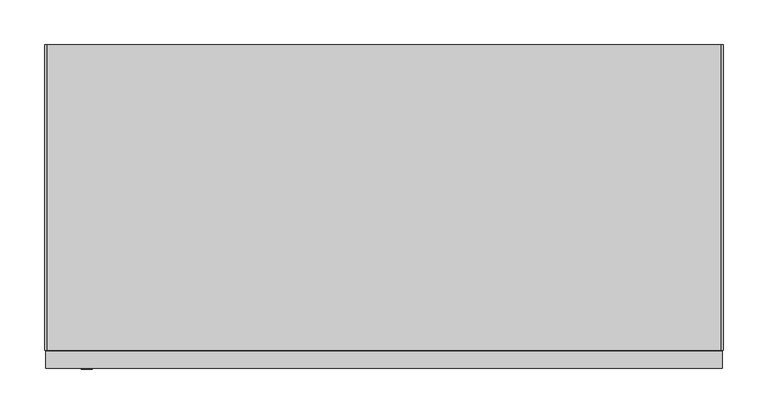
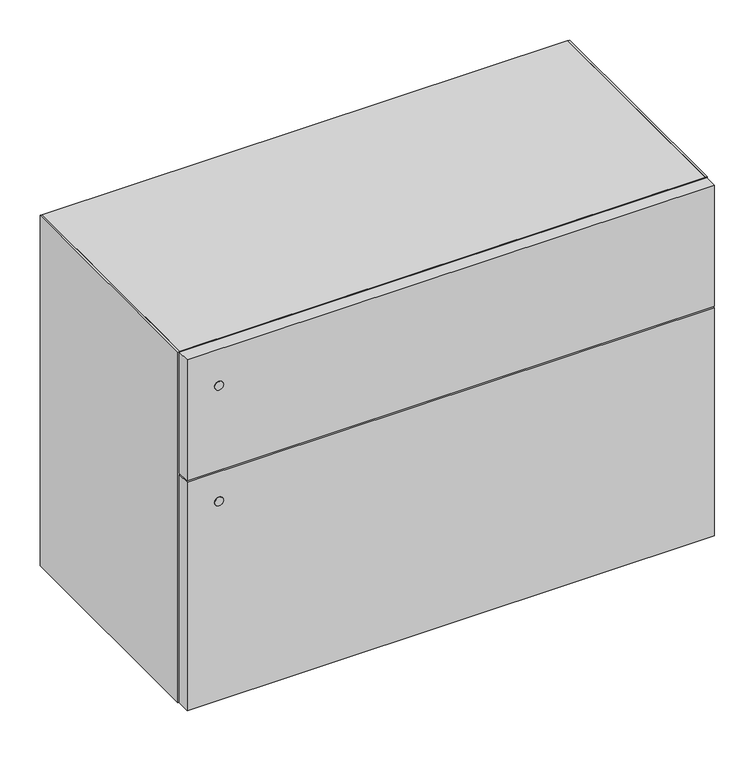
"""IFC4 building model written with IfcOpenShell, lengths in millimetres: furniture geometry."""

import ifcopenshell
import ifcopenshell.guid

model = None  # the IFC model being written
_history = None  # IfcOwnerHistory: only IFC2X3 demands one
_inside = {}  # id of a spatial element -> (the spatial element, [elements in it])
_under = {}  # id of a project, library or spatial element -> (it, [spatial elements below it])
_declared = {}  # id of a project -> (the project, [libraries it declares])
_typed = {}  # id of a type object -> (the type object, [elements of that type])
_made_of = {}  # id of a material, layer set ... -> (it, [elements and type objects made of it])


def new_model(schema):
    """Start an empty IFC model of exactly this schema.

    Asked for "IFC4X3", IfcOpenShell would pick the latest addendum, in which some entities
    have other attributes; the version numbers below select the first issue.
    IFC2X3 requires an IfcOwnerHistory on every rooted entity: one is made here for all.
    """
    global model, _history
    if schema == "IFC4X3":
        model = ifcopenshell.file(schema_version=(4, 3, 0, 0))
    else:
        model = ifcopenshell.file(schema=schema)
    _inside.clear()
    _under.clear()
    _declared.clear()
    _typed.clear()
    _made_of.clear()
    _history = None
    if model.schema == "IFC2X3":
        org = make("IfcOrganization", Name="unknown")
        user = make(
            "IfcPersonAndOrganization",
            ThePerson=make("IfcPerson", FamilyName="unknown"),
            TheOrganization=org,
        )
        app = make(
            "IfcApplication",
            ApplicationDeveloper=org,
            Version="unknown",
            ApplicationFullName="unknown",
            ApplicationIdentifier="unknown",
        )
        _history = make(
            "IfcOwnerHistory",
            OwningUser=user,
            OwningApplication=app,
            ChangeAction="ADDED",
            CreationDate=0,
        )
    return model


def make(cls, **values):
    """One entity of the class cls with the attributes given. An attribute that is None is left unset."""
    return model.create_entity(
        cls, **{name: value for name, value in values.items() if value is not None}
    )


def rooted(cls, **values):
    """An entity with a GlobalId (a new one), such as an element, a storey or a relation."""
    return make(cls, GlobalId=ifcopenshell.guid.new(), OwnerHistory=_history, **values)


def si_unit(unit_type, name, prefix=None):
    """IfcSIUnit, for example si_unit("LENGTHUNIT", "METRE", prefix="MILLI")."""
    return make("IfcSIUnit", UnitType=unit_type, Prefix=prefix, Name=name)


def assignment(units):
    """IfcUnitAssignment: the units of a project."""
    return None if units is None else make("IfcUnitAssignment", Units=units)


def point(xyz):
    """IfcCartesianPoint."""
    return None if xyz is None else make("IfcCartesianPoint", Coordinates=xyz)


def direction(xyz):
    """IfcDirection."""
    return None if xyz is None else make("IfcDirection", DirectionRatios=xyz)


def frame(location, z_axis=None, x_axis=None):
    """IfcAxis2Placement3D, a coordinate frame: its origin and axes. An axis left out is left unset."""
    return make(
        "IfcAxis2Placement3D",
        Location=point(location),
        Axis=direction(z_axis),
        RefDirection=direction(x_axis),
    )


def frame_2d(location, x_axis=None):
    """IfcAxis2Placement2D, a coordinate frame in the plane: its origin and x axis."""
    return make(
        "IfcAxis2Placement2D", Location=point(location), RefDirection=direction(x_axis)
    )


def origin():
    """The frame at (0, 0, 0) with its axes left unset."""
    return frame((0.0, 0.0, 0.0))


def place(relative_to, where):
    """IfcLocalPlacement: puts the frame where relative to a parent placement (None: the world)."""
    return make(
        "IfcLocalPlacement", PlacementRelTo=relative_to, RelativePlacement=where
    )


def context(
    kind, dimensions, precision=None, world=None, true_north=None, identifier=None
):
    """IfcGeometricRepresentationContext, for example the 3D "Model" context."""
    return make(
        "IfcGeometricRepresentationContext",
        ContextIdentifier=identifier,
        ContextType=kind,
        CoordinateSpaceDimension=dimensions,
        Precision=precision,
        WorldCoordinateSystem=world,
        TrueNorth=true_north,
    )


def project(units=None, contexts=None):
    """IfcProject with its units and contexts."""
    return rooted(
        "IfcProject",
        Name="project",
        RepresentationContexts=contexts,
        UnitsInContext=assignment(units),
    )


def spatial(cls, under=None, at=None, **own):
    """A site, building, storey or space (cls), placed at a placement, below another one or the project."""
    s = rooted(cls, ObjectPlacement=at, **own)
    if under is not None:
        _under.setdefault(under.id(), (under, []))[1].append(s)
    return s


def polyline(points):
    """IfcPolyline through the points."""
    return make("IfcPolyline", Points=[point(p) for p in points])


def circle_curve(where, radius):
    """IfcCircle in the frame where."""
    return make("IfcCircle", Position=where, Radius=radius)


def trimmed(basis, trim1, trim2, sense, master):
    """IfcTrimmedCurve: the piece of a basis curve between two trims."""
    return make(
        "IfcTrimmedCurve",
        BasisCurve=basis,
        Trim1=trim1,
        Trim2=trim2,
        SenseAgreement=sense,
        MasterRepresentation=master,
    )


def segment(curve, same_sense, transition):
    """IfcCompositeCurveSegment."""
    return make(
        "IfcCompositeCurveSegment",
        Transition=transition,
        SameSense=same_sense,
        ParentCurve=curve,
    )


def composite_curve(segments, self_intersect=None):
    """IfcCompositeCurve: segments joined end to end."""
    return make("IfcCompositeCurve", Segments=segments, SelfIntersect=self_intersect)


def outline(outer, holes=None, kind="AREA"):
    """IfcArbitraryClosedProfileDef: a profile drawn as a closed curve; with holes, ...WithVoids."""
    if holes is None:
        return make("IfcArbitraryClosedProfileDef", ProfileType=kind, OuterCurve=outer)
    return make(
        "IfcArbitraryProfileDefWithVoids",
        ProfileType=kind,
        OuterCurve=outer,
        InnerCurves=holes,
    )


def extrude(swept, where, along, depth):
    """IfcExtrudedAreaSolid: the profile swept, set in the frame where, extruded along a direction by depth."""
    return make(
        "IfcExtrudedAreaSolid",
        SweptArea=swept,
        Position=where,
        ExtrudedDirection=direction(along),
        Depth=depth,
    )


def shape(context_of_items, identifier, shape_type, items):
    """IfcShapeRepresentation: the items that make up one representation, for example the "Body"."""
    return make(
        "IfcShapeRepresentation",
        ContextOfItems=context_of_items,
        RepresentationIdentifier=identifier,
        RepresentationType=shape_type,
        Items=items,
    )


def source(mapping_origin, context_of_items, identifier, shape_type, items):
    """IfcRepresentationMap: a shape defined once, which mapped items show again and again."""
    return make(
        "IfcRepresentationMap",
        MappingOrigin=mapping_origin,
        MappedRepresentation=shape(context_of_items, identifier, shape_type, items),
    )


def transform(
    local_origin,
    x_axis=None,
    y_axis=None,
    z_axis=None,
    scale=None,
    scale2=None,
    scale3=None,
    uniform=True,
):
    """IfcCartesianTransformationOperator3D, or its non-uniform kind. x_axis, y_axis, z_axis: its Axis1, 2, 3."""
    if uniform:
        return make(
            "IfcCartesianTransformationOperator3D",
            Axis1=direction(x_axis),
            Axis2=direction(y_axis),
            LocalOrigin=point(local_origin),
            Scale=scale,
            Axis3=direction(z_axis),
        )
    return make(
        "IfcCartesianTransformationOperator3DnonUniform",
        Axis1=direction(x_axis),
        Axis2=direction(y_axis),
        LocalOrigin=point(local_origin),
        Scale=scale,
        Axis3=direction(z_axis),
        Scale2=scale2,
        Scale3=scale3,
    )


def mapped(mapping_source, mapping_target):
    """IfcMappedItem: shows the shape of a source again, moved by a transform."""
    return make(
        "IfcMappedItem", MappingSource=mapping_source, MappingTarget=mapping_target
    )


def made_of(thing, what):
    """Note that an element or type object is made of a material, layer set ...; save() writes the relation."""
    if what is not None:
        _made_of.setdefault(what.id(), (what, []))[1].append(thing)
    return thing


def element(
    cls,
    number,
    at=None,
    inside=None,
    cuts=None,
    type_object=None,
    material=None,
    context=None,
    identifier="Body",
    shape_type=None,
    held_by="IfcProductDefinitionShape",
    body=None,
    shapes=None,
    **own,
):
    """One element of the class cls, such as IfcWall. Its Tag is "e" and its number.

    at: its placement. inside: the storey or other place that contains it. cuts: it is an
    opening in that element (IfcRelVoidsElement). A single representation is given by context,
    identifier, shape_type and body (its items); several are given by shapes. held_by: the class
    of the entity that holds the representations. save() writes the other relations.
    """
    e = rooted(cls, Tag="e%d" % number, ObjectPlacement=at, **own)
    if body is not None:
        shapes = [shape(context, identifier, shape_type, body)]
    if shapes is not None:
        e.Representation = make(held_by, Representations=shapes)
    if inside is not None:
        _inside.setdefault(inside.id(), (inside, []))[1].append(e)
    if cuts is not None:
        rooted(
            "IfcRelVoidsElement", RelatingBuildingElement=cuts, RelatedOpeningElement=e
        )
    if type_object is not None:
        _typed.setdefault(type_object.id(), (type_object, []))[1].append(e)
    return made_of(e, material)


def aggregate(whole, parts):
    """IfcRelAggregates: a whole, such as a stair, and the parts it consists of."""
    return rooted("IfcRelAggregates", RelatingObject=whole, RelatedObjects=parts)


def save(model, path):
    """Write the relations noted so far, then the file.

    IfcRelAggregates (storeys below a building ...), IfcRelContainedInSpatialStructure (elements
    in a storey), IfcRelDefinesByType, IfcRelAssociatesMaterial and IfcRelDeclares: one each for
    every whole, place, type object, material and project.
    """
    for whole, parts in _under.values():
        aggregate(whole, parts)
    for where, things in _inside.values():
        rooted(
            "IfcRelContainedInSpatialStructure",
            RelatedElements=things,
            RelatingStructure=where,
        )
    for kind, things in _typed.values():
        rooted("IfcRelDefinesByType", RelatedObjects=things, RelatingType=kind)
    for what, things in _made_of.values():
        rooted("IfcRelAssociatesMaterial", RelatedObjects=things, RelatingMaterial=what)
    for by, libraries in _declared.values():
        rooted("IfcRelDeclares", RelatingContext=by, RelatedDefinitions=libraries)
    model.write(path)


def plane_surface(at):
    """IfcPlane: the flat surface through the origin of the frame at, square to its z axis."""
    return make("IfcPlane", Position=at)


def cylinder_surface(at, radius):
    """IfcCylindricalSurface: all points at the distance radius from the z axis of the frame at."""
    return make("IfcCylindricalSurface", Position=at, Radius=radius)


def advanced_brep(points, edges, surfaces, faces):
    """IfcAdvancedBrep: a solid bounded by faces that lie on surfaces and meet in shared edges.

    An edge is (start, end): straight between two places in points (the first is 0);
    or (start, end, curve); or (start, end, curve, False) where it runs against its curve.
    A face is (place in surfaces, loops), or (place, loops, False) where it looks against
    its surface's normal. A loop lists edges by number (the first is 1), with a minus sign
    where the edge is run from its end to its start. The first loop is the outer one.
    """
    corners = [point(p) for p in points]
    vertices = [make("IfcVertexPoint", VertexGeometry=c) for c in corners]
    made = []
    for start, end, *more in edges:
        made.append(
            make(
                "IfcEdgeCurve",
                EdgeStart=vertices[start],
                EdgeEnd=vertices[end],
                EdgeGeometry=more[0] if more else make("IfcPolyline", Points=[corners[start], corners[end]]),
                SameSense=more[1] if len(more) > 1 else True,
            )
        )
    hull = []
    for where, loops, *sense in faces:
        bounds = []
        for j, loop in enumerate(loops):
            ring = [make("IfcOrientedEdge", EdgeElement=made[abs(k) - 1], Orientation=k > 0) for k in loop]
            bounds.append(
                make(
                    "IfcFaceOuterBound" if j == 0 else "IfcFaceBound",
                    Bound=make("IfcEdgeLoop", EdgeList=ring),
                    Orientation=True,
                )
            )
        hull.append(make("IfcAdvancedFace", Bounds=bounds, FaceSurface=surfaces[where], SameSense=sense[0] if sense else True))
    return make("IfcAdvancedBrep", Outer=make("IfcClosedShell", CfsFaces=hull))


def furniture_9538a273(model_context):
    return source(origin(), model_context, "Body", "SolidModel", [
        advanced_brep(
        [(66.9289998, -50.8000015, 9.525), (41.5290013, -50.8000015, 9.525), (50.2602498, -50.8000015, 9.525), (58.1977513, -50.8000015, 9.525), (66.9289998, -50.8000015, 0.0), (41.5290013, -50.8000015, 0.0), (58.1977513, -50.8000015, 25.4000008), (50.2602498, -50.8000015, 25.4000008)],
        [
            (0, 1, circle_curve(frame((54.2290005, -50.8000015, 9.525), z_axis=(0.0, 0.0, 1.0), x_axis=(-1.0, 0.0, 0.0)), 12.6999992)),
            (1, 0, circle_curve(frame((54.2290005, -50.8000015, 9.525), z_axis=(0.0, 0.0, 1.0), x_axis=(-1.0, 0.0, 0.0)), 12.6999992)),
            (2, 3, circle_curve(frame((54.2290005, -50.8000015, 9.525), z_axis=(0.0, 0.0, -1.0), x_axis=(-1.0, 0.0, 0.0)), 3.9687508)),
            (3, 2, circle_curve(frame((54.2290005, -50.8000015, 9.525), z_axis=(0.0, 0.0, -1.0), x_axis=(-1.0, 0.0, 0.0)), 3.9687508)),
            (4, 5, circle_curve(frame((54.2290005, -50.8000015, 0.0), z_axis=(0.0, 0.0, -1.0), x_axis=(-1.0, 0.0, 0.0)), 12.6999992)),
            (5, 4, circle_curve(frame((54.2290005, -50.8000015, 0.0), z_axis=(0.0, 0.0, -1.0), x_axis=(-1.0, 0.0, 0.0)), 12.6999992)),
            (0, 4),
            (5, 1),
            (6, 7, circle_curve(frame((54.2290005, -50.8000015, 25.4000008), z_axis=(0.0, 0.0, 1.0), x_axis=(-1.0, 0.0, 0.0)), 3.9687508)),
            (7, 6, circle_curve(frame((54.2290005, -50.8000015, 25.4000008), z_axis=(0.0, 0.0, 1.0), x_axis=(-1.0, 0.0, 0.0)), 3.9687508)),
            (6, 3),
            (2, 7),
        ],
        [
            plane_surface(frame((41.5290013, -50.8000015, 9.525), z_axis=(0.0, 0.0, 1.0), x_axis=(0.0, -1.0, 0.0))),
            plane_surface(frame((41.5290013, -50.8000015, 0.0), z_axis=(0.0, 0.0, -1.0), x_axis=(0.0, 1.0, 0.0))),
            cylinder_surface(frame((54.2290005, -50.8000015, 0.0), z_axis=(0.0, 0.0, 1.0), x_axis=(-1.0, 0.0, 0.0)), 12.6999992),
            plane_surface(frame((50.2602498, -50.8000015, 25.4000008), z_axis=(0.0, 0.0, 1.0), x_axis=(0.0, -1.0, 0.0))),
            cylinder_surface(frame((54.2290005, -50.8000015, 9.525), z_axis=(0.0, 0.0, 1.0), x_axis=(-1.0, 0.0, 0.0)), 3.9687508),
        ],
        [
            (0, [[1, 2], [3, 4]]),
            (1, [[5, 6]]),
            (2, [[-1, 7, -6, 8]]),
            (2, [[-2, -8, -5, -7]]),
            (3, [[9, 10]]),
            (4, [[-9, 11, -3, 12]]),
            (4, [[-10, -12, -4, -11]]),
        ],
    ),
        advanced_brep(
        [(66.9289998, -292.0999939, 9.525), (41.5290013, -292.0999939, 9.525), (50.2602498, -292.0999939, 9.525), (58.1977513, -292.0999939, 9.525), (66.9289998, -292.0999939, 0.0), (41.5290013, -292.0999939, 0.0), (58.1977513, -292.0999939, 25.4000008), (50.2602498, -292.0999939, 25.4000008)],
        [
            (0, 1, circle_curve(frame((54.2290005, -292.0999939, 9.525), z_axis=(0.0, 0.0, 1.0), x_axis=(-1.0, 0.0, 0.0)), 12.6999992)),
            (1, 0, circle_curve(frame((54.2290005, -292.0999939, 9.525), z_axis=(0.0, 0.0, 1.0), x_axis=(-1.0, 0.0, 0.0)), 12.6999992)),
            (2, 3, circle_curve(frame((54.2290005, -292.0999939, 9.525), z_axis=(0.0, 0.0, -1.0), x_axis=(-1.0, 0.0, 0.0)), 3.9687508)),
            (3, 2, circle_curve(frame((54.2290005, -292.0999939, 9.525), z_axis=(0.0, 0.0, -1.0), x_axis=(-1.0, 0.0, 0.0)), 3.9687508)),
            (4, 5, circle_curve(frame((54.2290005, -292.0999939, 0.0), z_axis=(0.0, 0.0, -1.0), x_axis=(-1.0, 0.0, 0.0)), 12.6999992)),
            (5, 4, circle_curve(frame((54.2290005, -292.0999939, 0.0), z_axis=(0.0, 0.0, -1.0), x_axis=(-1.0, 0.0, 0.0)), 12.6999992)),
            (0, 4),
            (5, 1),
            (6, 7, circle_curve(frame((54.2290005, -292.0999939, 25.4000008), z_axis=(0.0, 0.0, 1.0), x_axis=(-1.0, 0.0, 0.0)), 3.9687508)),
            (7, 6, circle_curve(frame((54.2290005, -292.0999939, 25.4000008), z_axis=(0.0, 0.0, 1.0), x_axis=(-1.0, 0.0, 0.0)), 3.9687508)),
            (6, 3),
            (2, 7),
        ],
        [
            plane_surface(frame((41.5290013, -50.8000015, 9.525), z_axis=(0.0, 0.0, 1.0), x_axis=(0.0, -1.0, 0.0))),
            plane_surface(frame((41.5290013, -50.8000015, 0.0), z_axis=(0.0, 0.0, -1.0), x_axis=(0.0, 1.0, 0.0))),
            cylinder_surface(frame((54.2290005, -292.0999939, 0.0), z_axis=(0.0, 0.0, 1.0), x_axis=(-1.0, 0.0, 0.0)), 12.6999992),
            plane_surface(frame((50.2602498, -50.8000015, 25.4000008), z_axis=(0.0, 0.0, 1.0), x_axis=(0.0, -1.0, 0.0))),
            cylinder_surface(frame((54.2290005, -292.0999939, 0.0), z_axis=(0.0, 0.0, 1.0), x_axis=(-1.0, 0.0, 0.0)), 3.9687508),
        ],
        [
            (0, [[1, 2], [3, 4]]),
            (1, [[5, 6]]),
            (2, [[-1, 7, -6, 8]]),
            (2, [[-2, -8, -5, -7]]),
            (3, [[9, 10]]),
            (4, [[-9, 11, -3, 12]]),
            (4, [[-10, -12, -4, -11]]),
        ],
    ),
        advanced_brep(
        [(720.4709942, -50.8000015, 9.525), (695.0710184, -50.8000015, 9.525), (703.8022192, -50.8000015, 9.525), (711.7397207, -50.8000015, 9.525), (720.4709942, -50.8000015, 0.0), (695.0710184, -50.8000015, 0.0), (711.7397207, -50.8000015, 25.4000008), (703.8022192, -50.8000015, 25.4000008)],
        [
            (0, 1, circle_curve(frame((707.7710063, -50.8000015, 9.525), z_axis=(0.0, 0.0, 1.0), x_axis=(-1.0, 0.0, 0.0)), 12.6999879)),
            (1, 0, circle_curve(frame((707.7710063, -50.8000015, 9.525), z_axis=(0.0, 0.0, 1.0), x_axis=(-1.0, 0.0, 0.0)), 12.6999879)),
            (2, 3, circle_curve(frame((707.77097, -50.8000015, 9.525), z_axis=(0.0, 0.0, -1.0), x_axis=(-1.0, 0.0, 0.0)), 3.9687508)),
            (3, 2, circle_curve(frame((707.77097, -50.8000015, 9.525), z_axis=(0.0, 0.0, -1.0), x_axis=(-1.0, 0.0, 0.0)), 3.9687508)),
            (4, 5, circle_curve(frame((707.7710063, -50.8000015, 0.0), z_axis=(0.0, 0.0, -1.0), x_axis=(-1.0, 0.0, 0.0)), 12.6999879)),
            (5, 4, circle_curve(frame((707.7710063, -50.8000015, 0.0), z_axis=(0.0, 0.0, -1.0), x_axis=(-1.0, 0.0, 0.0)), 12.6999879)),
            (0, 4),
            (5, 1),
            (6, 7, circle_curve(frame((707.77097, -50.8000015, 25.4000008), z_axis=(0.0, 0.0, 1.0), x_axis=(-1.0, 0.0, 0.0)), 3.9687508)),
            (7, 6, circle_curve(frame((707.77097, -50.8000015, 25.4000008), z_axis=(0.0, 0.0, 1.0), x_axis=(-1.0, 0.0, 0.0)), 3.9687508)),
            (6, 3),
            (2, 7),
        ],
        [
            plane_surface(frame((41.5290013, -50.8000015, 9.525), z_axis=(0.0, 0.0, 1.0), x_axis=(0.0, -1.0, 0.0))),
            plane_surface(frame((41.5290013, -50.8000015, 0.0), z_axis=(0.0, 0.0, -1.0), x_axis=(0.0, 1.0, 0.0))),
            cylinder_surface(frame((707.7710063, -50.8000015, 0.0), z_axis=(0.0, 0.0, 1.0), x_axis=(-1.0, 0.0, 0.0)), 12.6999879),
            plane_surface(frame((50.2602498, -50.8000015, 25.4000008), z_axis=(0.0, 0.0, 1.0), x_axis=(0.0, -1.0, 0.0))),
            cylinder_surface(frame((707.77097, -50.8000015, 0.0), z_axis=(0.0, 0.0, 1.0), x_axis=(-1.0, 0.0, 0.0)), 3.9687508),
        ],
        [
            (0, [[1, 2], [3, 4]]),
            (1, [[5, 6]]),
            (2, [[-1, 7, -6, 8]]),
            (2, [[-2, -8, -5, -7]]),
            (3, [[9, 10]]),
            (4, [[-9, 11, -3, 12]]),
            (4, [[-10, -12, -4, -11]]),
        ],
    ),
        advanced_brep(
        [(720.4709942, -292.0999939, 9.525), (695.0710184, -292.0999939, 9.525), (703.8022192, -292.0999939, 9.525), (711.7397207, -292.0999939, 9.525), (720.4709942, -292.0999939, 0.0), (695.0710184, -292.0999939, 0.0), (711.7397207, -292.0999939, 25.4000008), (703.8022192, -292.0999939, 25.4000008)],
        [
            (0, 1, circle_curve(frame((707.7710063, -292.0999939, 9.525), z_axis=(0.0, 0.0, 1.0), x_axis=(-1.0, 0.0, 0.0)), 12.6999879)),
            (1, 0, circle_curve(frame((707.7710063, -292.0999939, 9.525), z_axis=(0.0, 0.0, 1.0), x_axis=(-1.0, 0.0, 0.0)), 12.6999879)),
            (2, 3, circle_curve(frame((707.77097, -292.0999939, 9.525), z_axis=(0.0, 0.0, -1.0), x_axis=(-1.0, 0.0, 0.0)), 3.9687508)),
            (3, 2, circle_curve(frame((707.77097, -292.0999939, 9.525), z_axis=(0.0, 0.0, -1.0), x_axis=(-1.0, 0.0, 0.0)), 3.9687508)),
            (4, 5, circle_curve(frame((707.7710063, -292.0999939, 0.0), z_axis=(0.0, 0.0, -1.0), x_axis=(-1.0, 0.0, 0.0)), 12.6999879)),
            (5, 4, circle_curve(frame((707.7710063, -292.0999939, 0.0), z_axis=(0.0, 0.0, -1.0), x_axis=(-1.0, 0.0, 0.0)), 12.6999879)),
            (0, 4),
            (5, 1),
            (6, 7, circle_curve(frame((707.77097, -292.0999939, 25.4000008), z_axis=(0.0, 0.0, 1.0), x_axis=(-1.0, 0.0, 0.0)), 3.9687508)),
            (7, 6, circle_curve(frame((707.77097, -292.0999939, 25.4000008), z_axis=(0.0, 0.0, 1.0), x_axis=(-1.0, 0.0, 0.0)), 3.9687508)),
            (6, 3),
            (2, 7),
        ],
        [
            plane_surface(frame((41.5290013, -50.8000015, 9.525), z_axis=(0.0, 0.0, 1.0), x_axis=(0.0, -1.0, 0.0))),
            plane_surface(frame((41.5290013, -50.8000015, 0.0), z_axis=(0.0, 0.0, -1.0), x_axis=(0.0, 1.0, 0.0))),
            cylinder_surface(frame((707.7710063, -292.0999939, 0.0), z_axis=(0.0, 0.0, 1.0), x_axis=(-1.0, 0.0, 0.0)), 12.6999879),
            plane_surface(frame((50.2602498, -50.8000015, 25.4000008), z_axis=(0.0, 0.0, 1.0), x_axis=(0.0, -1.0, 0.0))),
            cylinder_surface(frame((707.77097, -292.0999939, 0.0), z_axis=(0.0, 0.0, 1.0), x_axis=(-1.0, 0.0, 0.0)), 3.9687508),
        ],
        [
            (0, [[1, 2], [3, 4]]),
            (1, [[5, 6]]),
            (2, [[-1, 7, -6, 8]]),
            (2, [[-2, -8, -5, -7]]),
            (3, [[9, 10]]),
            (4, [[-9, 11, -3, 12]]),
            (4, [[-10, -12, -4, -11]]),
        ],
    ),
        extrude(outline(composite_curve([segment(trimmed(circle_curve(frame_2d((504.0375844, 47.3075003)), 6.3499985), [point((504.0375844, 53.6574988))], [point((504.0375844, 40.9575018))], False, "CARTESIAN"), True, "CONTINUOUS"), segment(trimmed(circle_curve(frame_2d((504.0375844, 47.3075003)), 6.3499985), [point((504.0375844, 40.9575018))], [point((504.0375844, 53.6574988))], False, "CARTESIAN"), True, "CONTINUOUS")], self_intersect=False)), frame((0.0, -364.33125, 0.0), z_axis=(0.0, 1.0, 0.0), x_axis=(0.0, 0.0, 1.0)), (0.0, 0.0, 1.0), 0.7937379),
        extrude(outline(composite_curve([segment(trimmed(circle_curve(frame_2d((327.9139961, 47.3075003)), 6.3499985), [point((327.9139961, 53.6574988))], [point((327.9139961, 40.9575018))], False, "CARTESIAN"), True, "CONTINUOUS"), segment(trimmed(circle_curve(frame_2d((327.9139961, 47.3075003)), 6.3499985), [point((327.9139961, 40.9575018))], [point((327.9139961, 53.6574988))], False, "CARTESIAN"), True, "CONTINUOUS")], self_intersect=False)), frame((0.0, -364.33125, 0.0), z_axis=(0.0, 1.0, 0.0), x_axis=(0.0, 0.0, 1.0)), (0.0, 0.0, 1.0), 0.7937379),
        extrude(outline(polyline([(760.4125242, -344.4875121), (760.4125242, -363.5375121), (1.5875, -363.5375121), (1.5875, -344.4875121), (760.4125242, -344.4875121)])), frame((0.0, 0.0, 374.9040058), z_axis=(0.0, 0.0, 1.0), x_axis=(1.0, 0.0, 0.0)), (0.0, 0.0, 1.0), 183.8959942),
        extrude(outline(polyline([(760.4125242, -344.4875121), (760.4125242, -363.5375121), (1.5875, -363.5375121), (1.5875, -344.4875121), (760.4125242, -344.4875121)])), frame((0.0, 0.0, 25.4000008), z_axis=(0.0, 0.0, 1.0), x_axis=(1.0, 0.0, 0.0)), (0.0, 0.0, 1.0), 346.9640075),
        extrude(outline(polyline([(758.9621767, -19.05), (758.9621767, -342.9), (3.03784, -342.9), (3.03784, -19.05), (758.9621767, -19.05)])), frame((0.0, 0.0, 372.3640082), z_axis=(0.0, 0.0, 1.0), x_axis=(1.0, 0.0, 0.0)), (0.0, 0.0, 1.0), 2.5399976),
        extrude(outline(polyline([(758.9621767, 0.0), (758.9621767, -19.05), (3.03784, -19.05), (3.03784, 0.0), (758.9621767, 0.0)])), frame((0.0, 0.0, 54.7624005), z_axis=(0.0, 0.0, 1.0), x_axis=(1.0, 0.0, 0.0)), (0.0, 0.0, 1.0), 474.6751839),
        extrude(outline(polyline([(758.9621767, 0.0), (758.9621767, -342.9), (3.03784, -342.9), (3.03784, 0.0), (758.9621767, 0.0)])), frame((0.0, 0.0, 529.4375844), z_axis=(0.0, 0.0, 1.0), x_axis=(1.0, 0.0, 0.0)), (0.0, 0.0, 1.0), 29.3624156),
        extrude(outline(polyline([(758.9621767, 0.0), (758.9621767, -342.9), (3.03784, -342.9), (3.03784, 0.0), (758.9621767, 0.0)])), frame((0.0, 0.0, 25.4000008), z_axis=(0.0, 0.0, 1.0), x_axis=(1.0, 0.0, 0.0)), (0.0, 0.0, 1.0), 29.3623997),
        extrude(outline(polyline([(0.0, -342.9), (0.0, 0.0), (3.03784, 0.0), (3.03784, -342.9), (0.0, -342.9)])), frame((0.0, 0.0, 25.4000008), z_axis=(0.0, 0.0, 1.0), x_axis=(1.0, 0.0, 0.0)), (0.0, 0.0, 1.0), 533.3999992),
        extrude(outline(polyline([(762.0, -342.9), (758.9621767, -342.9), (758.9621767, 0.0), (762.0, 0.0), (762.0, -342.9)])), frame((0.0, 0.0, 25.4000008), z_axis=(0.0, 0.0, 1.0), x_axis=(1.0, 0.0, 0.0)), (0.0, 0.0, 1.0), 533.3999992),
    ])


if __name__ == "__main__":
    model = new_model("IFC4")
    model_context = context("Model", 3, world=origin())
    ifc_project = project(units=[si_unit("LENGTHUNIT", "METRE", prefix="MILLI")], contexts=[model_context])
    site = spatial("IfcSite", under=ifc_project)
    building = spatial("IfcBuilding", under=site)
    placement = place(None, origin())
    furniture_shape = furniture_9538a273(model_context)
    element("IfcFurniture", 1, at=placement, inside=building, context=model_context, shape_type="MappedRepresentation", body=[
        mapped(furniture_shape, transform((0.0, 0.0, 0.0), x_axis=(1.0, 0.0, 0.0), y_axis=(0.0, 1.0, 0.0), z_axis=(0.0, 0.0, 1.0))),
    ])
    save(model, "model.ifc")
